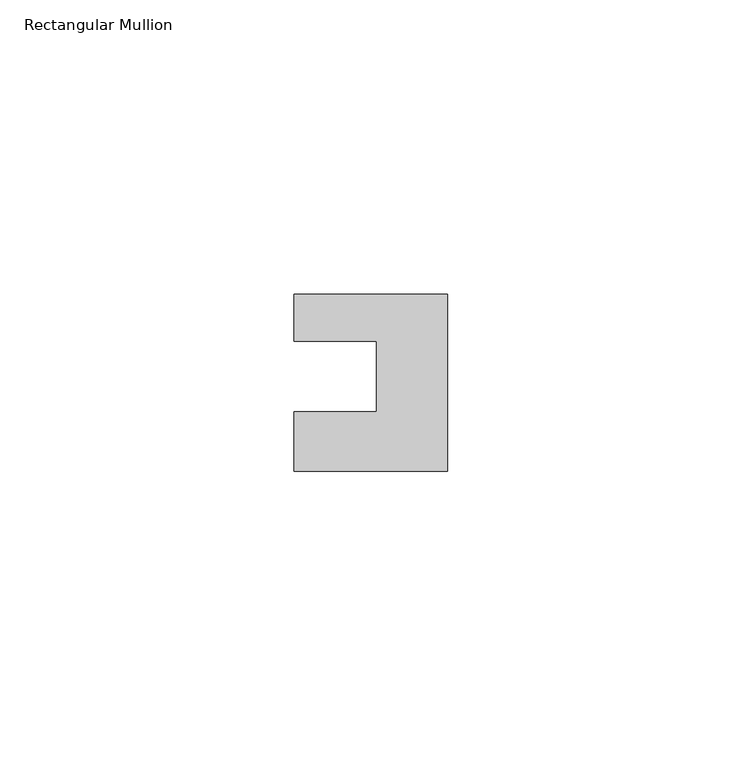
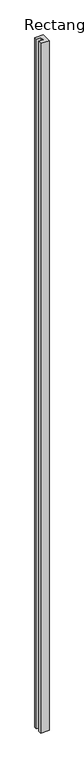
"""IFC4 building model written with IfcOpenShell, lengths in millimetres: member geometry, Rectangular Mullion."""

from ifc_helpers import new_model, si_unit, frame, origin, place, context, project, spatial, polyline, outline, extrude, source, transform, mapped, element, save


def rectangular_mullion_a2ee0a79(model_context):
    return source(origin(), model_context, "Body", "SweptSolid", [
        extrude(outline(polyline([(0.0, 7.94), (0.0, -22.06), (-26.0, -22.06), (-26.0, -12.0), (-12.0, -12.0), (-12.0, 0.001), (-26.0, 0.001), (-26.0, 7.94), (0.0, 7.94)])), frame((0.0, 0.0, -2239.0), z_axis=(0.0, 0.0, 1.0), x_axis=(1.0, 0.0, 0.0)), (0.0, 0.0, 1.0), 2239.0),
    ])


if __name__ == "__main__":
    model = new_model("IFC4")
    model_context = context("Model", 3, world=origin())
    ifc_project = project(units=[si_unit("LENGTHUNIT", "METRE", prefix="MILLI")], contexts=[model_context])
    site = spatial("IfcSite", under=ifc_project)
    building = spatial("IfcBuilding", under=site)
    placement = place(None, origin())
    rectangular_mullion_shape = rectangular_mullion_a2ee0a79(model_context)
    element("IfcMember", 1, ObjectType="Rectangular Mullion", at=placement, inside=building, context=model_context, shape_type="MappedRepresentation", body=[
        mapped(rectangular_mullion_shape, transform((0.0, 0.0, 0.0), x_axis=(1.0, 0.0, 0.0), y_axis=(0.0, 1.0, 0.0), z_axis=(0.0, 0.0, 1.0))),
    ])
    save(model, "model.ifc")
